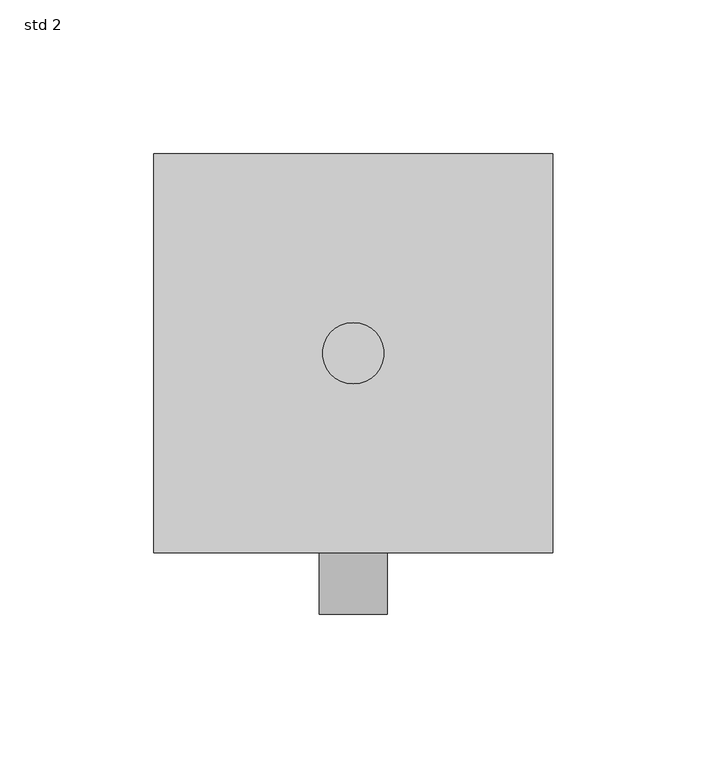
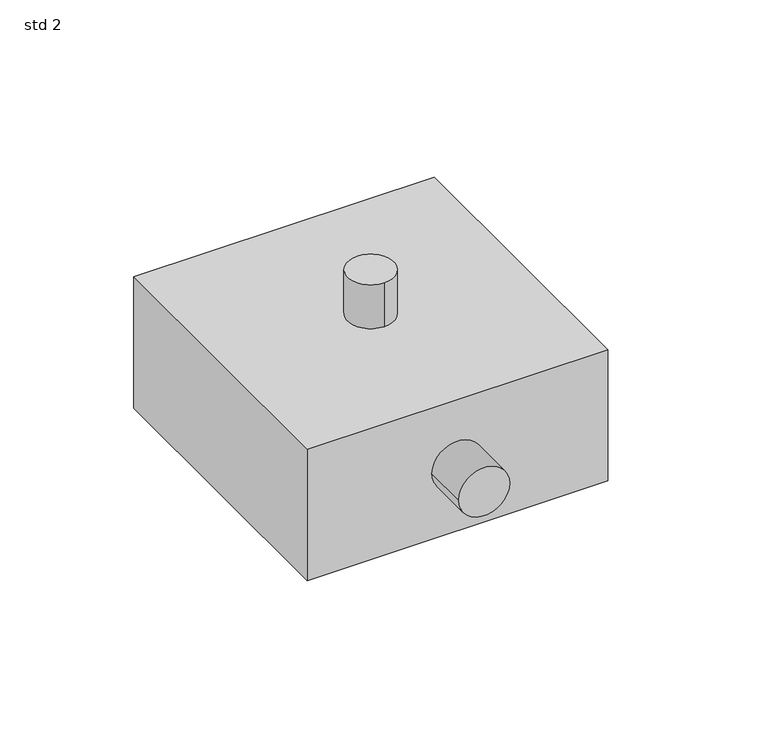
"""IFC4 building model written with IfcOpenShell, lengths in millimetres: proxy geometry, std 2."""

from ifc_helpers import new_model, si_unit, point, frame, frame_2d, origin, origin_with_axes, origin_2d, place, context, project, spatial, polyline, circle_curve, trimmed, segment, composite_curve, outline, extrude, source, transform, mapped, element, save


def std_2_7b1f1c58(model_context):
    return source(origin(), model_context, "Body", "SweptSolid", [
        extrude(outline(composite_curve([segment(trimmed(circle_curve(origin_2d(), 10.0), [point((0.0, 10.0))], [point((0.0, -10.0))], False, "CARTESIAN"), True, "CONTINUOUS"), segment(trimmed(circle_curve(origin_2d(), 10.0), [point((0.0, -10.0))], [point((0.0, 10.0))], False, "CARTESIAN"), True, "CONTINUOUS")], self_intersect=False)), frame((0.0, 0.0, 60.0), z_axis=(0.0, 0.0, 1.0), x_axis=(1.0, 0.0, 0.0)), (0.0, 0.0, 1.0), 20.0),
        extrude(outline(composite_curve([segment(trimmed(circle_curve(frame_2d((30.0, 0.0)), 11.0), [point((30.0, -11.0))], [point((30.0, 11.0))], False, "CARTESIAN"), True, "CONTINUOUS"), segment(trimmed(circle_curve(frame_2d((30.0, 0.0)), 11.0), [point((30.0, 11.0))], [point((30.0, -11.0))], False, "CARTESIAN"), True, "CONTINUOUS")], self_intersect=False)), frame((0.0, -85.0, 0.0), z_axis=(0.0, 1.0, 0.0), x_axis=(0.0, 0.0, 1.0)), (0.0, 0.0, 1.0), 20.0),
        extrude(outline(polyline([(65.0, 65.0), (65.0, -65.0), (-65.0, -65.0), (-65.0, 65.0), (65.0, 65.0)])), origin_with_axes(), (0.0, 0.0, 1.0), 60.0),
    ])


if __name__ == "__main__":
    model = new_model("IFC4")
    model_context = context("Model", 3, world=origin())
    ifc_project = project(units=[si_unit("LENGTHUNIT", "METRE", prefix="MILLI")], contexts=[model_context])
    site = spatial("IfcSite", under=ifc_project)
    building = spatial("IfcBuilding", under=site)
    placement = place(None, origin())
    std_2_shape = std_2_7b1f1c58(model_context)
    element("IfcBuildingElementProxy", 1, Name="std 2", ObjectType="std 2", at=placement, inside=building, context=model_context, shape_type="MappedRepresentation", body=[
        mapped(std_2_shape, transform((0.0, 0.0, 0.0), x_axis=(1.0, 0.0, 0.0), y_axis=(0.0, 1.0, 0.0), z_axis=(0.0, 0.0, 1.0))),
    ])
    save(model, "model.ifc")
